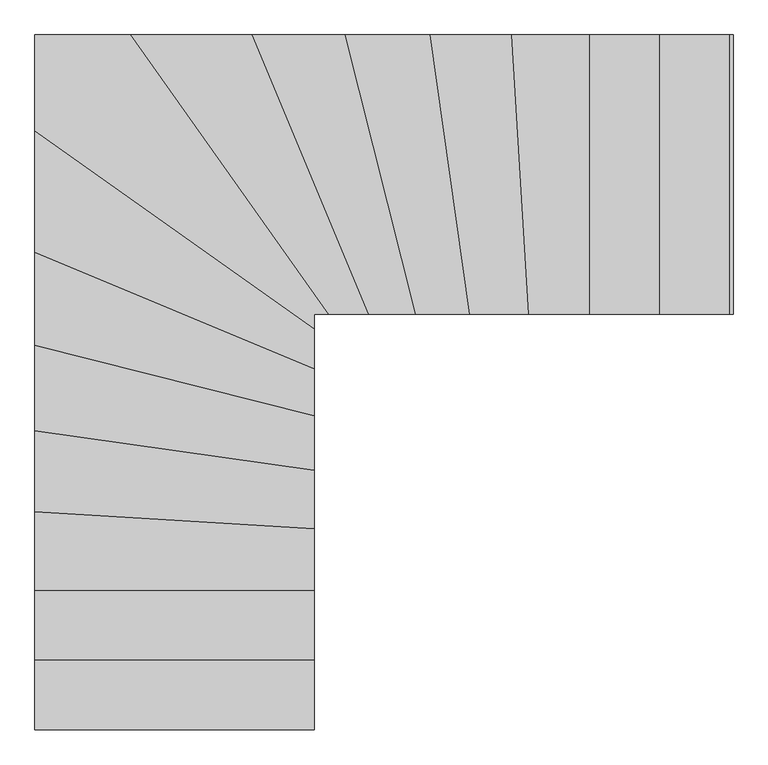
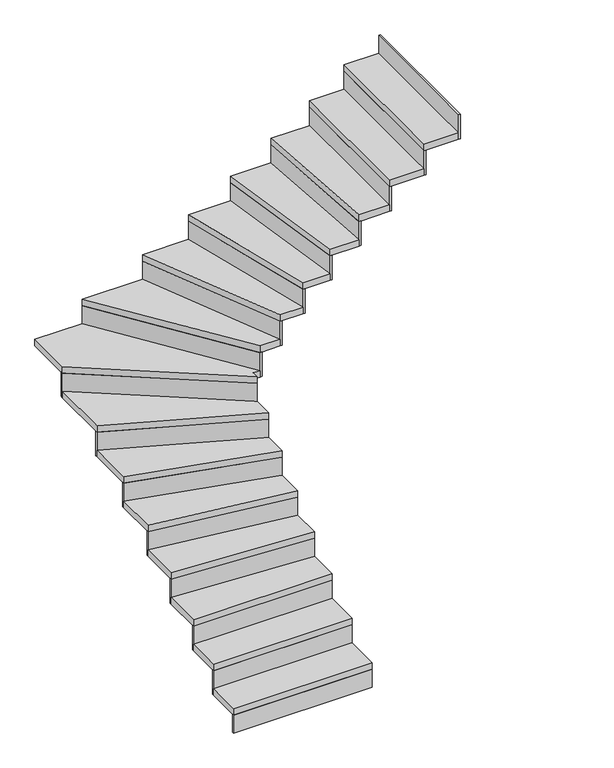
"""IFC4 building model written with IfcOpenShell, lengths in millimetres: stair flight geometry."""

from ifc_helpers import new_model, si_unit, frame, origin, origin_with_axes, place, context, project, spatial, polyline, outline, extrude, source, transform, mapped, element, save


def stair_flight_fbb6c17a(model_context):
    return source(origin(), model_context, "Body", "SweptSolid", [
        extrude(outline(polyline([(-7845.0034034, 16628.1752042), (-7845.0034034, 16615.6752042), (-8845.0034034, 16615.6752042), (-8845.0034034, 16628.1752042), (-7845.0034034, 16628.1752042)])), origin_with_axes(), (0.0, 0.0, 1.0), 137.5),
        extrude(outline(polyline([(-8845.0034034, 16865.6752042), (-7845.0034034, 16865.6752042), (-7845.0034034, 16615.6752042), (-8845.0034034, 16615.6752042), (-8845.0034034, 16865.6752042)])), frame((0.0, 0.0, 137.5), z_axis=(0.0, 0.0, 1.0), x_axis=(1.0, 0.0, 0.0)), (0.0, 0.0, 1.0), 50.0),
        extrude(outline(polyline([(-7845.0034034, 16878.1752042), (-7845.0034034, 16865.6752042), (-8845.0034034, 16865.6752042), (-8845.0034034, 16878.1752042), (-7845.0034034, 16878.1752042)])), frame((0.0, 0.0, 137.5), z_axis=(0.0, 0.0, 1.0), x_axis=(1.0, 0.0, 0.0)), (0.0, 0.0, 1.0), 187.5),
        extrude(outline(polyline([(-8845.0034034, 17115.6752042), (-7845.0034034, 17115.6752042), (-7845.0034034, 16865.6752042), (-8845.0034034, 16865.6752042), (-8845.0034034, 17115.6752042)])), frame((0.0, 0.0, 325.0), z_axis=(0.0, 0.0, 1.0), x_axis=(1.0, 0.0, 0.0)), (0.0, 0.0, 1.0), 50.0),
        extrude(outline(polyline([(-7845.0034034, 17128.1752042), (-7845.0034034, 17115.6752042), (-8845.0034034, 17115.6752042), (-8845.0034034, 17128.1752042), (-7845.0034034, 17128.1752042)])), frame((0.0, 0.0, 325.0), z_axis=(0.0, 0.0, 1.0), x_axis=(1.0, 0.0, 0.0)), (0.0, 0.0, 1.0), 187.5),
        extrude(outline(polyline([(-8845.0034034, 17396.073553), (-7845.0034034, 17335.2768555), (-7845.0034034, 17115.6752042), (-8845.0034034, 17115.6752042), (-8845.0034034, 17396.073553)])), frame((0.0, 0.0, 512.5), z_axis=(0.0, 0.0, 1.0), x_axis=(1.0, 0.0, 0.0)), (0.0, 0.0, 1.0), 50.0),
        extrude(outline(polyline([(-7845.0034034, 17347.7999356), (-7845.0034034, 17335.2768555), (-8845.0034034, 17396.073553), (-8845.0034034, 17408.5966332), (-7845.0034034, 17347.7999356)])), frame((0.0, 0.0, 512.5), z_axis=(0.0, 0.0, 1.0), x_axis=(1.0, 0.0, 0.0)), (0.0, 0.0, 1.0), 187.5),
        extrude(outline(polyline([(-8845.0034034, 17686.3075682), (-7845.0034034, 17545.0428402), (-7845.0034034, 17335.2768555), (-8845.0034034, 17396.073553), (-8845.0034034, 17686.3075682)])), frame((0.0, 0.0, 700.0), z_axis=(0.0, 0.0, 1.0), x_axis=(1.0, 0.0, 0.0)), (0.0, 0.0, 1.0), 50.0),
        extrude(outline(polyline([(-7845.0034034, 17557.6669474), (-7845.0034034, 17545.0428402), (-8845.0034034, 17686.3075682), (-8845.0034034, 17698.9316754), (-7845.0034034, 17557.6669474)])), frame((0.0, 0.0, 700.0), z_axis=(0.0, 0.0, 1.0), x_axis=(1.0, 0.0, 0.0)), (0.0, 0.0, 1.0), 187.5),
        extrude(outline(polyline([(-8845.0034034, 17992.0722093), (-7845.0034034, 17739.2781992), (-7845.0034034, 17545.0428402), (-8845.0034034, 17686.3075682), (-8845.0034034, 17992.0722093)])), frame((0.0, 0.0, 887.5), z_axis=(0.0, 0.0, 1.0), x_axis=(1.0, 0.0, 0.0)), (0.0, 0.0, 1.0), 50.0),
        extrude(outline(polyline([(-7845.0034034, 17752.1714194), (-7845.0034034, 17739.2781992), (-8845.0034034, 17992.0722093), (-8845.0034034, 18004.9654294), (-7845.0034034, 17752.1714194)])), frame((0.0, 0.0, 887.5), z_axis=(0.0, 0.0, 1.0), x_axis=(1.0, 0.0, 0.0)), (0.0, 0.0, 1.0), 187.5),
        extrude(outline(polyline([(-8845.0034034, 18324.6049164), (-7845.0034034, 17906.9016525), (-7845.0034034, 17739.2781992), (-8845.0034034, 17992.0722093), (-8845.0034034, 18324.6049164)])), frame((0.0, 0.0, 1075.0), z_axis=(0.0, 0.0, 1.0), x_axis=(1.0, 0.0, 0.0)), (0.0, 0.0, 1.0), 50.0),
        extrude(outline(polyline([(-7845.0034034, 17920.4483081), (-7845.0034034, 17906.9016525), (-8845.0034034, 18324.6049164), (-8845.0034034, 18338.151572), (-7845.0034034, 17920.4483081)])), frame((0.0, 0.0, 1075.0), z_axis=(0.0, 0.0, 1.0), x_axis=(1.0, 0.0, 0.0)), (0.0, 0.0, 1.0), 187.5),
        extrude(outline(polyline([(-8845.0034034, 18758.8630042), (-7845.0034034, 18051.0864532), (-7845.0034034, 17906.9016525), (-8845.0034034, 18324.6049164), (-8845.0034034, 18758.8630042)])), frame((0.0, 0.0, 1262.5), z_axis=(0.0, 0.0, 1.0), x_axis=(1.0, 0.0, 0.0)), (0.0, 0.0, 1.0), 50.0),
        extrude(outline(polyline([(-7845.0034034, 18066.4005992), (-7845.0034034, 18051.0864532), (-8845.0034034, 18758.8630042), (-8845.0034034, 18774.1771503), (-7845.0034034, 18066.4005992)])), frame((0.0, 0.0, 1262.5), z_axis=(0.0, 0.0, 1.0), x_axis=(1.0, 0.0, 0.0)), (0.0, 0.0, 1.0), 187.5),
        extrude(outline(polyline([(-8501.8682663, 19101.9981414), (-7794.0917152, 18101.9981414), (-7845.0034034, 18101.9981414), (-7845.0034034, 18051.0864532), (-8845.0034034, 18758.8630042), (-8845.0034034, 19101.9981414), (-8501.8682663, 19101.9981414)])), frame((0.0, 0.0, 1450.0), z_axis=(0.0, 0.0, 1.0), x_axis=(1.0, 0.0, 0.0)), (0.0, 0.0, 1.0), 50.0),
        extrude(outline(polyline([(-7778.7775691, 18101.9981414), (-7794.0917152, 18101.9981414), (-8501.8682663, 19101.9981414), (-8486.5541202, 19101.9981414), (-7778.7775691, 18101.9981414)])), frame((0.0, 0.0, 1450.0), z_axis=(0.0, 0.0, 1.0), x_axis=(1.0, 0.0, 0.0)), (0.0, 0.0, 1.0), 187.5),
        extrude(outline(polyline([(-8067.6101785, 19101.9981414), (-7649.9069145, 18101.9981414), (-7794.0917152, 18101.9981414), (-8501.8682663, 19101.9981414), (-8067.6101785, 19101.9981414)])), frame((0.0, 0.0, 1637.5), z_axis=(0.0, 0.0, 1.0), x_axis=(1.0, 0.0, 0.0)), (0.0, 0.0, 1.0), 50.0),
        extrude(outline(polyline([(-7636.3602589, 18101.9981414), (-7649.9069145, 18101.9981414), (-8067.6101785, 19101.9981414), (-8054.0635229, 19101.9981414), (-7636.3602589, 18101.9981414)])), frame((0.0, 0.0, 1637.5), z_axis=(0.0, 0.0, 1.0), x_axis=(1.0, 0.0, 0.0)), (0.0, 0.0, 1.0), 187.5),
        extrude(outline(polyline([(-7735.0774713, 19101.9981414), (-7482.2834612, 18101.9981414), (-7649.9069145, 18101.9981414), (-8067.6101785, 19101.9981414), (-7735.0774713, 19101.9981414)])), frame((0.0, 0.0, 1825.0), z_axis=(0.0, 0.0, 1.0), x_axis=(1.0, 0.0, 0.0)), (0.0, 0.0, 1.0), 50.0),
        extrude(outline(polyline([(-7469.390241, 18101.9981414), (-7482.2834612, 18101.9981414), (-7735.0774713, 19101.9981414), (-7722.1842511, 19101.9981414), (-7469.390241, 18101.9981414)])), frame((0.0, 0.0, 1825.0), z_axis=(0.0, 0.0, 1.0), x_axis=(1.0, 0.0, 0.0)), (0.0, 0.0, 1.0), 187.5),
        extrude(outline(polyline([(-7429.3128302, 19101.9981414), (-7288.0481023, 18101.9981414), (-7482.2834612, 18101.9981414), (-7735.0774713, 19101.9981414), (-7429.3128302, 19101.9981414)])), frame((0.0, 0.0, 2012.5), z_axis=(0.0, 0.0, 1.0), x_axis=(1.0, 0.0, 0.0)), (0.0, 0.0, 1.0), 50.0),
        extrude(outline(polyline([(-7275.4239951, 18101.9981414), (-7288.0481023, 18101.9981414), (-7429.3128302, 19101.9981414), (-7416.6887231, 19101.9981414), (-7275.4239951, 18101.9981414)])), frame((0.0, 0.0, 2012.5), z_axis=(0.0, 0.0, 1.0), x_axis=(1.0, 0.0, 0.0)), (0.0, 0.0, 1.0), 187.5),
        extrude(outline(polyline([(-7139.078815, 19101.9981414), (-7078.2821175, 18101.9981414), (-7288.0481023, 18101.9981414), (-7429.3128302, 19101.9981414), (-7139.078815, 19101.9981414)])), frame((0.0, 0.0, 2200.0), z_axis=(0.0, 0.0, 1.0), x_axis=(1.0, 0.0, 0.0)), (0.0, 0.0, 1.0), 50.0),
        extrude(outline(polyline([(-7065.7590373, 18101.9981414), (-7078.2821175, 18101.9981414), (-7139.078815, 19101.9981414), (-7126.5557348, 19101.9981414), (-7065.7590373, 18101.9981414)])), frame((0.0, 0.0, 2200.0), z_axis=(0.0, 0.0, 1.0), x_axis=(1.0, 0.0, 0.0)), (0.0, 0.0, 1.0), 187.5),
        extrude(outline(polyline([(-6858.6804662, 19101.9981414), (-6858.6804662, 18101.9981414), (-7078.2821175, 18101.9981414), (-7139.078815, 19101.9981414), (-6858.6804662, 19101.9981414)])), frame((0.0, 0.0, 2387.5), z_axis=(0.0, 0.0, 1.0), x_axis=(1.0, 0.0, 0.0)), (0.0, 0.0, 1.0), 50.0),
        extrude(outline(polyline([(-6846.1804662, 18101.9981414), (-6858.6804662, 18101.9981414), (-6858.6804662, 19101.9981414), (-6846.1804662, 19101.9981414), (-6846.1804662, 18101.9981414)])), frame((0.0, 0.0, 2387.5), z_axis=(0.0, 0.0, 1.0), x_axis=(1.0, 0.0, 0.0)), (0.0, 0.0, 1.0), 187.5),
        extrude(outline(polyline([(-6608.6804662, 19101.9981414), (-6608.6804662, 18101.9981414), (-6858.6804662, 18101.9981414), (-6858.6804662, 19101.9981414), (-6608.6804662, 19101.9981414)])), frame((0.0, 0.0, 2575.0), z_axis=(0.0, 0.0, 1.0), x_axis=(1.0, 0.0, 0.0)), (0.0, 0.0, 1.0), 50.0),
        extrude(outline(polyline([(-6596.1804662, 18101.9981414), (-6608.6804662, 18101.9981414), (-6608.6804662, 19101.9981414), (-6596.1804662, 19101.9981414), (-6596.1804662, 18101.9981414)])), frame((0.0, 0.0, 2575.0), z_axis=(0.0, 0.0, 1.0), x_axis=(1.0, 0.0, 0.0)), (0.0, 0.0, 1.0), 187.5),
        extrude(outline(polyline([(-6346.1804662, 18101.9981414), (-6358.6804662, 18101.9981414), (-6358.6804662, 19101.9981414), (-6346.1804662, 19101.9981414), (-6346.1804662, 18101.9981414)])), frame((0.0, 0.0, 2762.5), z_axis=(0.0, 0.0, 1.0), x_axis=(1.0, 0.0, 0.0)), (0.0, 0.0, 1.0), 187.5),
        extrude(outline(polyline([(-6358.6804662, 19101.9981414), (-6358.6804662, 18101.9981414), (-6608.6804662, 18101.9981414), (-6608.6804662, 19101.9981414), (-6358.6804662, 19101.9981414)])), frame((0.0, 0.0, 2762.5), z_axis=(0.0, 0.0, 1.0), x_axis=(1.0, 0.0, 0.0)), (0.0, 0.0, 1.0), 50.0),
    ])


if __name__ == "__main__":
    model = new_model("IFC4")
    model_context = context("Model", 3, world=origin())
    ifc_project = project(units=[si_unit("LENGTHUNIT", "METRE", prefix="MILLI")], contexts=[model_context])
    site = spatial("IfcSite", under=ifc_project)
    building = spatial("IfcBuilding", under=site)
    placement = place(None, origin())
    stair_flight_shape = stair_flight_fbb6c17a(model_context)
    element("IfcStairFlight", 1, at=placement, inside=building, context=model_context, shape_type="MappedRepresentation", body=[
        mapped(stair_flight_shape, transform((0.0, 0.0, 0.0), x_axis=(1.0, 0.0, 0.0), y_axis=(0.0, 1.0, 0.0), z_axis=(0.0, 0.0, 1.0))),
    ])
    save(model, "model.ifc")
